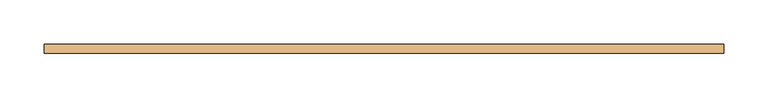
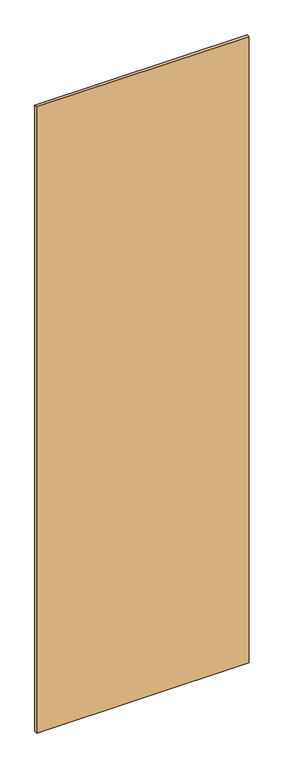
"""IFC4 building model written with IfcOpenShell, lengths in millimetres: door geometry."""

from ifc_helpers import new_model, si_unit, frame, origin, place, context, project, spatial, polyline, outline, extrude, source, transform, mapped, element, save


def door_d4158c9e(model_context):
    return source(origin(), model_context, "Body", "SweptSolid", [
        extrude(outline(polyline([(383.3176822, 5.0), (383.3176822, -5.0), (-383.3176822, -5.0), (-383.3176822, 5.0), (383.3176822, 5.0)])), frame((0.0, 0.0, 78.0), z_axis=(0.0, 0.0, 1.0), x_axis=(1.0, 0.0, 0.0)), (0.0, 0.0, 1.0), 2386.0),
    ])


if __name__ == "__main__":
    model = new_model("IFC4")
    model_context = context("Model", 3, world=origin())
    ifc_project = project(units=[si_unit("LENGTHUNIT", "METRE", prefix="MILLI")], contexts=[model_context])
    site = spatial("IfcSite", under=ifc_project)
    building = spatial("IfcBuilding", under=site)
    placement = place(None, origin())
    door_shape = door_d4158c9e(model_context)
    element("IfcDoor", 1, at=placement, inside=building, context=model_context, shape_type="MappedRepresentation", body=[
        mapped(door_shape, transform((0.0, 0.0, 0.0), x_axis=(1.0, 0.0, 0.0), y_axis=(0.0, 1.0, 0.0), z_axis=(0.0, 0.0, 1.0))),
    ])
    save(model, "model.ifc")
